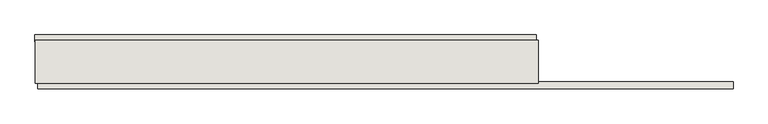
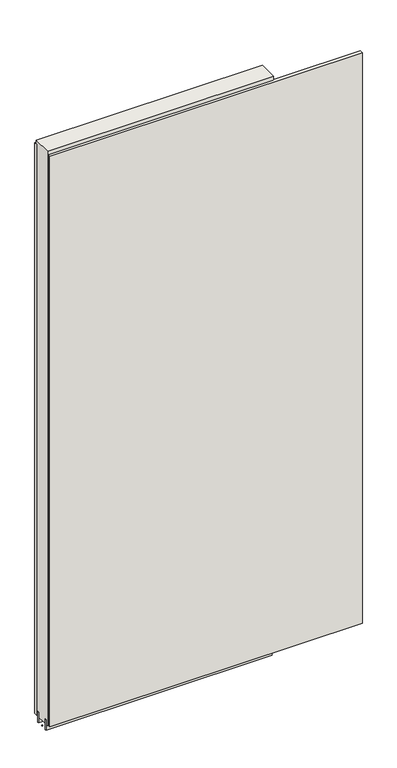
"""IFC4 building model written with IfcOpenShell, lengths in millimetres: wall geometry."""

from ifc_helpers import new_model, si_unit, frame, origin, place, context, project, spatial, polyline, outline, extrude, source, transform, mapped, element, save


def wall_7446ab98(model_context):
    return source(origin(), model_context, "Body", "SweptSolid", [
        extrude(outline(polyline([(48905.2493064, -39417.1245692), (48902.7093064, -39417.1245692), (48902.7093064, -39414.5845692), (48905.2493064, -39414.5845692), (48905.2493064, -39417.1245692)])), frame((0.0, 0.0, 4419.6), z_axis=(0.0, 0.0, 1.0), x_axis=(1.0, 0.0, 0.0)), (0.0, 0.0, 1.0), 2.54),
        extrude(outline(polyline([(48902.2461882, -39365.0545692), (49852.3336962, -39365.0545692), (49852.3336962, -39377.7545692), (48902.2461882, -39377.7545692), (48902.2461882, -39365.0545692)])), frame((0.0, 0.0, 4445.0), z_axis=(0.0, 0.0, 1.0), x_axis=(1.0, 0.0, 0.0)), (0.0, 0.0, 1.0), 2545.0498756),
        extrude(outline(polyline([(50225.8251768, -39466.6545692), (48907.1750328, -39466.6545692), (48907.1750328, -39453.9545692), (50225.8251768, -39453.9545692), (50225.8251768, -39466.6545692)])), frame((0.0, 0.0, 4445.0), z_axis=(0.0, 0.0, 1.0), x_axis=(1.0, 0.0, 0.0)), (0.0, 0.0, 1.0), 2545.0498756),
        extrude(outline(polyline([(49856.7955618, -39390.7770222), (48902.720457, -39390.7770222), (48902.720457, -39385.6982668), (49856.7955618, -39385.6982668), (49856.7955618, -39390.7770222)])), frame((0.0, 0.0, 4418.6602), z_axis=(0.0, 0.0, 1.0), x_axis=(1.0, 0.0, 0.0)), (0.0, 0.0, 1.0), 47.625),
        extrude(outline(polyline([(49856.7955618, -39390.7770222), (48902.720457, -39390.7770222), (48902.720457, -39385.6982668), (49856.7955618, -39385.6982668), (49856.7955618, -39390.7770222)])), frame((0.0, 0.0, 4418.6602), z_axis=(0.0, 0.0, 1.0), x_axis=(1.0, 0.0, 0.0)), (0.0, 0.0, 1.0), 47.625),
        extrude(outline(polyline([(48902.720457, -39440.9414126), (49856.7955618, -39440.9414126), (49856.7955618, -39446.0232668), (48902.720457, -39446.0232668), (48902.720457, -39440.9414126)])), frame((0.0, 0.0, 4418.6602), z_axis=(0.0, 0.0, 1.0), x_axis=(1.0, 0.0, 0.0)), (0.0, 0.0, 1.0), 47.625),
        extrude(outline(polyline([(48902.720457, -39440.9414126), (49856.7955618, -39440.9414126), (49856.7955618, -39446.0232668), (48902.720457, -39446.0232668), (48902.720457, -39440.9414126)])), frame((0.0, 0.0, 4418.6602), z_axis=(0.0, 0.0, 1.0), x_axis=(1.0, 0.0, 0.0)), (0.0, 0.0, 1.0), 47.625),
        extrude(outline(polyline([(49856.7955618, -39375.2058824), (49856.7955618, -39456.4877366), (48902.720457, -39456.4877366), (48902.720457, -39375.2058824), (49856.7955618, -39375.2058824)])), frame((0.0, 0.0, 4445.0), z_axis=(0.0, 0.0, 1.0), x_axis=(1.0, 0.0, 0.0)), (0.0, 0.0, 1.0), 2562.4536762),
    ])


if __name__ == "__main__":
    model = new_model("IFC4")
    model_context = context("Model", 3, world=origin())
    ifc_project = project(units=[si_unit("LENGTHUNIT", "METRE", prefix="MILLI")], contexts=[model_context])
    site = spatial("IfcSite", under=ifc_project)
    building = spatial("IfcBuilding", under=site)
    placement = place(None, origin())
    wall_shape = wall_7446ab98(model_context)
    element("IfcWall", 1, at=placement, inside=building, context=model_context, shape_type="MappedRepresentation", body=[
        mapped(wall_shape, transform((0.0, 0.0, 0.0), x_axis=(1.0, 0.0, 0.0), y_axis=(0.0, 1.0, 0.0), z_axis=(0.0, 0.0, 1.0))),
    ])
    save(model, "model.ifc")
